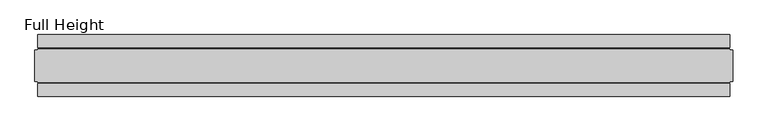
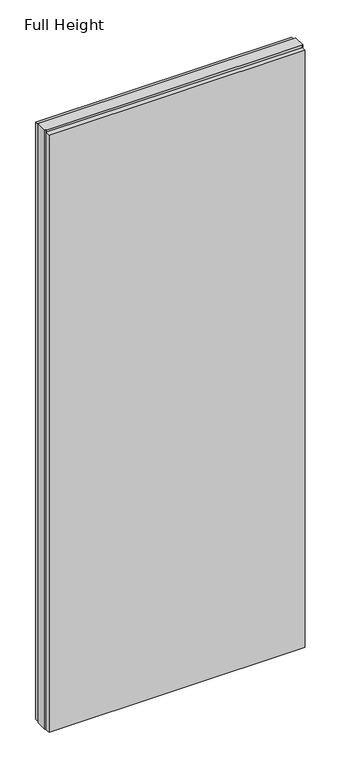
"""IFC4 building model written with IfcOpenShell, lengths in millimetres: plate geometry, Full Height."""

from ifc_helpers import new_model, si_unit, origin, origin_with_axes, place, context, project, spatial, polyline, outline, extrude, source, transform, mapped, element, save


def full_height_378065b1(model_context):
    return source(origin(), model_context, "Body", "SweptSolid", [
        extrude(outline(polyline([(554.228, 28.956), (-554.228, 28.956), (-554.228, 49.53), (554.228, 49.53), (554.228, 28.956)])), origin_with_axes(), (0.0, 0.0, 1.0), 2734.056),
        extrude(outline(polyline([(554.228, -28.956), (554.228, -49.53), (-554.228, -49.53), (-554.228, -28.956), (554.228, -28.956)])), origin_with_axes(), (0.0, 0.0, 1.0), 2734.056),
        extrude(outline(polyline([(554.228, -25.146), (554.228, -26.67), (-554.228, -26.67), (-554.228, -25.146), (-558.8, -25.146), (-558.8, 25.146), (-554.228, 25.146), (-554.228, 26.67), (554.228, 26.67), (554.228, 25.146), (558.8, 25.146), (558.8, -25.146), (554.228, -25.146)])), origin_with_axes(), (0.0, 0.0, 1.0), 2743.2),
    ])


if __name__ == "__main__":
    model = new_model("IFC4")
    model_context = context("Model", 3, world=origin())
    ifc_project = project(units=[si_unit("LENGTHUNIT", "METRE", prefix="MILLI")], contexts=[model_context])
    site = spatial("IfcSite", under=ifc_project)
    building = spatial("IfcBuilding", under=site)
    placement = place(None, origin())
    full_height_shape = full_height_378065b1(model_context)
    element("IfcPlate", 1, ObjectType="Full Height", at=placement, inside=building, context=model_context, shape_type="MappedRepresentation", body=[
        mapped(full_height_shape, transform((0.0, 0.0, 0.0), x_axis=(1.0, 0.0, 0.0), y_axis=(0.0, 1.0, 0.0), z_axis=(0.0, 0.0, 1.0))),
    ])
    save(model, "model.ifc")
